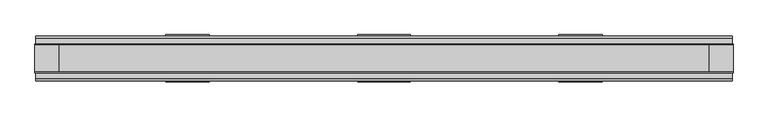
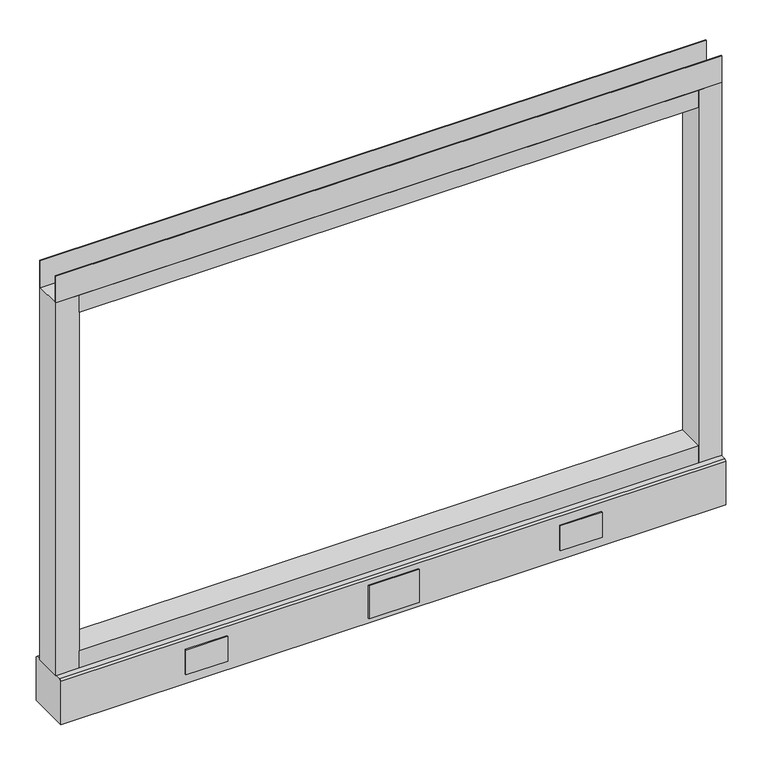
"""IFC4 building model written with IfcOpenShell, lengths in millimetres: furniture geometry."""

from ifc_helpers import new_model, si_unit, point, frame, frame_2d, origin, place, context, project, spatial, polyline, circle_curve, trimmed, segment, composite_curve, outline, extrude, source, transform, mapped, element, save
from ifc_brep_helpers import plane_surface, revolved_surface, advanced_brep


def furniture_f05f5057(model_context):
    return source(origin(), model_context, "Body", "SolidModel", [
        advanced_brep(
        [(539.75, 0.0, 6.35), (565.15, 0.0, 6.35), (533.4, 0.0, 0.0), (571.5, 0.0, 0.0)],
        [
            (0, 1, circle_curve(frame((552.45, 0.0, 6.35), z_axis=(0.0, 0.0, 1.0), x_axis=(-1.0, 0.0, 0.0)), 12.7)),
            (1, 0, circle_curve(frame((552.45, 0.0, 6.35), z_axis=(0.0, 0.0, 1.0), x_axis=(1.0, 0.0, 0.0)), 12.7)),
            (2, 3, circle_curve(frame((552.45, 0.0, 0.0), z_axis=(0.0, 0.0, -1.0), x_axis=(1.0, 0.0, 0.0)), 19.05)),
            (3, 2, circle_curve(frame((552.45, 0.0, 0.0), z_axis=(0.0, 0.0, -1.0), x_axis=(-1.0, 0.0, 0.0)), 19.05)),
            (3, 1),
            (0, 2),
        ],
        [
            plane_surface(frame((552.45, 0.0, 6.35), z_axis=(0.0, 0.0, 1.0), x_axis=(0.0, -1.0, 0.0))),
            plane_surface(frame((552.45, 0.0, 0.0), z_axis=(0.0, 0.0, -1.0), x_axis=(0.0, -1.0, 0.0))),
            revolved_surface(polyline([(539.75, 0.0, 6.35), (533.4, 0.0, 0.0)]), (552.45, 0.0, 19.05), (0.0, 0.0, -1.0)),
            revolved_surface(polyline([(565.15, 0.0, 6.35), (571.5, 0.0, 0.0)]), (552.45, 0.0, 19.05), (0.0, 0.0, -1.0)),
        ],
        [
            (0, [[1, 2]]),
            (1, [[3, 4]]),
            (2, [[-4, 5, -1, 6]]),
            (3, [[-3, -6, -2, -5]]),
        ],
    ),
        advanced_brep(
        [(-565.15, 0.0, 6.35), (-539.75, 0.0, 6.35), (-571.5, 0.0, 0.0), (-533.4, 0.0, 0.0)],
        [
            (0, 1, circle_curve(frame((-552.45, 0.0, 6.35), z_axis=(0.0, 0.0, 1.0), x_axis=(-1.0, 0.0, 0.0)), 12.7)),
            (1, 0, circle_curve(frame((-552.45, 0.0, 6.35), z_axis=(0.0, 0.0, 1.0), x_axis=(1.0, 0.0, 0.0)), 12.7)),
            (2, 3, circle_curve(frame((-552.45, 0.0, 0.0), z_axis=(0.0, 0.0, -1.0), x_axis=(1.0, 0.0, 0.0)), 19.05)),
            (3, 2, circle_curve(frame((-552.45, 0.0, 0.0), z_axis=(0.0, 0.0, -1.0), x_axis=(-1.0, 0.0, 0.0)), 19.05)),
            (3, 1),
            (0, 2),
        ],
        [
            plane_surface(frame((-552.45, 0.0, 6.35), z_axis=(0.0, 0.0, 1.0), x_axis=(0.0, -1.0, 0.0))),
            plane_surface(frame((-552.45, 0.0, 0.0), z_axis=(0.0, 0.0, -1.0), x_axis=(0.0, -1.0, 0.0))),
            revolved_surface(polyline([(-565.15, 0.0, 6.35), (-571.5, 0.0, 0.0)]), (-552.45, 0.0, 19.05), (0.0, 0.0, -1.0)),
            revolved_surface(polyline([(-539.75, 0.0, 6.35), (-533.4, 0.0, 0.0)]), (-552.45, 0.0, 19.05), (0.0, 0.0, -1.0)),
        ],
        [
            (0, [[1, 2]]),
            (1, [[3, 4]]),
            (2, [[-4, 5, -1, 6]]),
            (3, [[-3, -6, -2, -5]]),
        ],
    ),
        extrude(outline(polyline([(381.0, 39.0921875), (304.8, 39.0921875), (304.8, 41.4020035), (381.0, 41.4020035), (381.0, 39.0921875)])), frame((0.0, 0.0, 32.512), z_axis=(0.0, 0.0, 1.0), x_axis=(1.0, 0.0, 0.0)), (0.0, 0.0, 1.0), 48.26),
        extrude(outline(polyline([(45.7708, 39.0921875), (-45.7708, 39.0921875), (-45.7708, 41.4020035), (45.7708, 41.4020035), (45.7708, 39.0921875)])), frame((0.0, 0.0, 23.8125), z_axis=(0.0, 0.0, 1.0), x_axis=(1.0, 0.0, 0.0)), (0.0, 0.0, 1.0), 63.5),
        extrude(outline(polyline([(-304.8, 39.0921875), (-381.0, 39.0921875), (-381.0, 41.4020035), (-304.8, 41.4020035), (-304.8, 39.0921875)])), frame((0.0, 0.0, 32.512), z_axis=(0.0, 0.0, 1.0), x_axis=(1.0, 0.0, 0.0)), (0.0, 0.0, 1.0), 48.26),
        extrude(outline(polyline([(381.0, -41.4019923), (304.8, -41.4019923), (304.8, -39.0921875), (381.0, -39.0921875), (381.0, -41.4019923)])), frame((0.0, 0.0, 32.512), z_axis=(0.0, 0.0, 1.0), x_axis=(1.0, 0.0, 0.0)), (0.0, 0.0, 1.0), 48.26),
        extrude(outline(polyline([(-304.8, -41.4019923), (-381.0, -41.4019923), (-381.0, -39.0921875), (-304.8, -39.0921875), (-304.8, -41.4019923)])), frame((0.0, 0.0, 32.512), z_axis=(0.0, 0.0, 1.0), x_axis=(1.0, 0.0, 0.0)), (0.0, 0.0, 1.0), 48.26),
        extrude(outline(polyline([(45.7708, -41.4019923), (-45.7708, -41.4019923), (-45.7708, -39.0921875), (45.7708, -39.0921875), (45.7708, -41.4019923)])), frame((0.0, 0.0, 23.8125), z_axis=(0.0, 0.0, 1.0), x_axis=(1.0, 0.0, 0.0)), (0.0, 0.0, 1.0), 63.5),
        extrude(outline(polyline([(609.6, -23.8125), (609.6, -25.4), (-609.6, -25.4), (-609.6, -23.8125), (609.6, -23.8125)])), frame((0.0, 0.0, 822.833), z_axis=(0.0, 0.0, 1.0), x_axis=(1.0, 0.0, 0.0)), (0.0, 0.0, 1.0), 51.435),
        extrude(outline(polyline([(609.6, 25.4), (609.6, 23.8125), (-609.6, 23.8125), (-609.6, 25.4), (609.6, 25.4)])), frame((0.0, 0.0, 822.833), z_axis=(0.0, 0.0, 1.0), x_axis=(1.0, 0.0, 0.0)), (0.0, 0.0, 1.0), 51.435),
        extrude(outline(polyline([(566.7375, -25.4), (-566.7375, -25.4), (-566.7375, 25.4), (566.7375, 25.4), (566.7375, -25.4)])), frame((0.0, 0.0, 789.94), z_axis=(0.0, 0.0, 1.0), x_axis=(1.0, 0.0, 0.0)), (0.0, 0.0, 1.0), 32.893),
        extrude(outline(polyline([(566.7375, -25.4), (-566.7375, -25.4), (-566.7375, 25.4), (566.7375, 25.4), (566.7375, -25.4)])), frame((0.0, 0.0, 101.6), z_axis=(0.0, 0.0, 1.0), x_axis=(1.0, 0.0, 0.0)), (0.0, 0.0, 1.0), 32.893),
        extrude(outline(composite_curve([segment(trimmed(circle_curve(frame_2d((-552.45, 0.0)), 5.55625), [point((-558.00625, 0.0))], [point((-546.89375, 0.0))], False, "CARTESIAN"), True, "CONTINUOUS"), segment(trimmed(circle_curve(frame_2d((-552.45, 0.0)), 5.55625), [point((-546.89375, 0.0))], [point((-558.00625, 0.0))], False, "CARTESIAN"), True, "CONTINUOUS")], self_intersect=False)), frame((0.0, 0.0, 6.35), z_axis=(0.0, 0.0, 1.0), x_axis=(1.0, 0.0, 0.0)), (0.0, 0.0, 1.0), 7.9375),
        extrude(outline(composite_curve([segment(trimmed(circle_curve(frame_2d((552.45, 0.0)), 5.55625), [point((546.89375, 0.0))], [point((558.00625, 0.0))], False, "CARTESIAN"), True, "CONTINUOUS"), segment(trimmed(circle_curve(frame_2d((552.45, 0.0)), 5.55625), [point((558.00625, 0.0))], [point((546.89375, 0.0))], False, "CARTESIAN"), True, "CONTINUOUS")], self_intersect=False)), frame((0.0, 0.0, 6.35), z_axis=(0.0, 0.0, 1.0), x_axis=(1.0, 0.0, 0.0)), (0.0, 0.0, 1.0), 7.9375),
        extrude(outline(polyline([(-566.7375, -25.4), (-609.6, -25.4), (-609.6, 25.4), (-566.7375, 25.4), (-566.7375, -25.4)])), frame((0.0, 0.0, 101.6), z_axis=(0.0, 0.0, 1.0), x_axis=(1.0, 0.0, 0.0)), (0.0, 0.0, 1.0), 721.233),
        extrude(outline(polyline([(609.6, -25.4), (566.7375, -25.4), (566.7375, 25.4), (609.6, 25.4), (609.6, -25.4)])), frame((0.0, 0.0, 101.6), z_axis=(0.0, 0.0, 1.0), x_axis=(1.0, 0.0, 0.0)), (0.0, 0.0, 1.0), 721.233),
        extrude(outline(polyline([(-35.9171875, 101.6), (35.9171875, 101.6), (39.0921875, 98.425), (39.0921875, 14.2875), (-39.0921875, 14.2875), (-39.0921875, 98.425), (-35.9171875, 101.6)])), frame((-608.457, 0.0, 0.0), z_axis=(1.0, 0.0, 0.0), x_axis=(0.0, 1.0, 0.0)), (0.0, 0.0, 1.0), 1216.9140102),
    ])


if __name__ == "__main__":
    model = new_model("IFC4")
    model_context = context("Model", 3, world=origin())
    ifc_project = project(units=[si_unit("LENGTHUNIT", "METRE", prefix="MILLI")], contexts=[model_context])
    site = spatial("IfcSite", under=ifc_project)
    building = spatial("IfcBuilding", under=site)
    placement = place(None, origin())
    furniture_shape = furniture_f05f5057(model_context)
    element("IfcFurniture", 1, at=placement, inside=building, context=model_context, shape_type="MappedRepresentation", body=[
        mapped(furniture_shape, transform((0.0, 0.0, 0.0), x_axis=(1.0, 0.0, 0.0), y_axis=(0.0, 1.0, 0.0), z_axis=(0.0, 0.0, 1.0))),
    ])
    save(model, "model.ifc")
